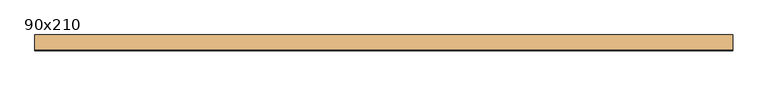
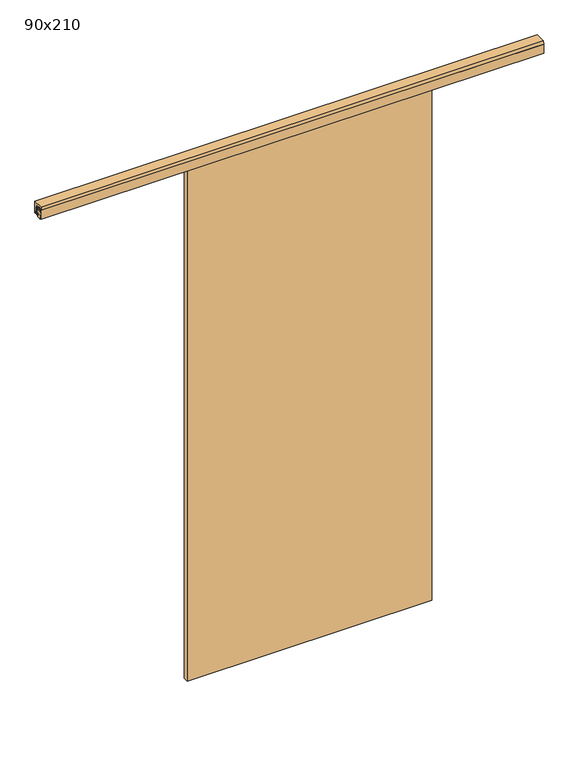
"""IFC4 building model written with IfcOpenShell, lengths in millimetres: door geometry, 90x210."""

from ifc_helpers import new_model, si_unit, frame, origin, place, context, project, spatial, polyline, outline, extrude, faceted_brep, source, transform, mapped, element, save


def door_90x210_9e44eed2(model_context):
    return source(origin(), model_context, "Body", "SolidModel", [
        faceted_brep([(1000.8, -84.93125, 2106.35), (1000.8, -84.93125, 6.35), (50.0, -84.93125, 6.35), (50.0, -84.93125, 2106.35), (1000.8, -104.93125, 2106.35), (50.0, -104.93125, 2106.35), (50.0, -104.93125, 6.35), (1000.8, -104.93125, 6.35), (56.35, -94.45625, 6.35), (56.35, -95.40625, 6.35), (994.45, -95.40625, 6.35), (994.45, -94.45625, 6.35), (56.35, -94.45625, 19.05), (56.35, -95.40625, 19.05), (994.45, -94.45625, 19.05), (994.45, -95.40625, 19.05)], [[[0, 1, 2, 3]], [[4, 5, 6, 7]], [[1, 0, 4, 7]], [[2, 1, 7, 6], [8, 9, 10, 11]], [[3, 2, 6, 5]], [[0, 3, 5, 4]], [[12, 13, 9, 8]], [[14, 11, 10, 15]], [[12, 8, 11, 14]], [[9, 13, 15, 10]], [[13, 12, 14, 15]]]),
        extrude(outline(polyline([(-110.2666602, 2154.5170224), (-110.2666602, 2152.1019124), (-119.8183154, 2152.1019124), (-119.8183154, 2122.9194632), (-118.2607047, 2122.9194632), (-118.2607047, 2120.0874438), (-113.7294737, 2120.0874438), (-113.7294737, 2117.9634293), (-122.3596637, 2117.9634293), (-122.3596637, 2154.5170224), (-110.2666602, 2154.5170224)])), frame((-526.2, 0.0, 0.0), z_axis=(1.0, 0.0, 0.0), x_axis=(0.0, 1.0, 0.0)), (0.0, 0.0, 1.0), 1952.4),
        extrude(outline(polyline([(-101.4466138, 2154.5170224), (-89.4134133, 2154.5170224), (-89.4134133, 2117.9634293), (-98.0436034, 2117.9634293), (-98.0436034, 2120.0874438), (-93.5123723, 2120.0874438), (-93.5123723, 2122.9194632), (-91.9547616, 2122.9194632), (-91.9547616, 2152.1019124), (-101.4466138, 2152.1019124), (-101.4466138, 2154.5170224)])), frame((-526.2, 0.0, 0.0), z_axis=(1.0, 0.0, 0.0), x_axis=(0.0, 1.0, 0.0)), (0.0, 0.0, 1.0), 1952.4),
        extrude(outline(polyline([(-93.5123723, 2129.7195308), (-93.5123723, 2119.2417073), (-98.0436034, 2119.2417073), (-98.0436034, 2129.7195308), (-113.7892767, 2129.7195308), (-113.7892767, 2137.0154167), (-118.3205078, 2137.0154167), (-118.3205078, 2129.7195308), (-119.8781184, 2129.7195308), (-119.8781184, 2142.4195308), (-118.3205078, 2142.4195308), (-118.3205078, 2151.2561759), (-113.6897325, 2151.2561759), (-113.6897325, 2142.4195308), (-98.1431476, 2142.4195308), (-98.1431476, 2151.2561759), (-93.5123723, 2151.2561759), (-93.5123723, 2142.4195308), (-91.9547616, 2142.4195308), (-91.9547616, 2129.7195308), (-93.5123723, 2129.7195308)])), frame((-526.2, 0.0, 0.0), z_axis=(1.0, 0.0, 0.0), x_axis=(0.0, 1.0, 0.0)), (0.0, 0.0, 1.0), 1952.4),
        extrude(outline(polyline([(-526.2, -112.7288605), (-526.2, -98.9057993), (1426.2, -98.9057993), (1426.2, -112.7288605), (-526.2, -112.7288605)])), frame((0.0, 0.0, 2113.703846), z_axis=(0.0, 0.0, 1.0), x_axis=(1.0, 0.0, 0.0)), (0.0, 0.0, 1.0), 15.0490822),
        extrude(outline(polyline([(-78.3065387, 2166.0403012), (-78.3065387, 2119.2090512), (-89.4190387, 2119.2090512), (-89.4190387, 2122.3609868), (-85.0377298, 2122.3609868), (-85.0377298, 2129.6969603), (-83.0690387, 2131.6656513), (-83.0690387, 2150.7156513), (-89.4190387, 2150.7156513), (-89.4190387, 2154.9278012), (-99.5392457, 2154.9278012), (-99.5392457, 2158.058535), (-96.39144, 2158.058535), (-96.39144, 2161.2720123), (-115.44144, 2161.2720123), (-115.44144, 2158.058535), (-112.2936343, 2158.058535), (-112.2936343, 2154.9278012), (-122.3596637, 2154.9278012), (-119.3820783, 2166.0403012), (-78.3065387, 2166.0403012)])), frame((-526.2, 0.0, 0.0), z_axis=(1.0, 0.0, 0.0), x_axis=(0.0, 1.0, 0.0)), (0.0, 0.0, 1.0), 1952.4),
    ])


if __name__ == "__main__":
    model = new_model("IFC4")
    model_context = context("Model", 3, world=origin())
    ifc_project = project(units=[si_unit("LENGTHUNIT", "METRE", prefix="MILLI")], contexts=[model_context])
    site = spatial("IfcSite", under=ifc_project)
    building = spatial("IfcBuilding", under=site)
    placement = place(None, origin())
    door_90x210_shape = door_90x210_9e44eed2(model_context)
    element("IfcDoor", 1, ObjectType="90x210", at=placement, inside=building, context=model_context, shape_type="MappedRepresentation", body=[
        mapped(door_90x210_shape, transform((0.0, 0.0, 0.0), x_axis=(1.0, 0.0, 0.0), y_axis=(0.0, 1.0, 0.0), z_axis=(0.0, 0.0, 1.0))),
    ])
    save(model, "model.ifc")
